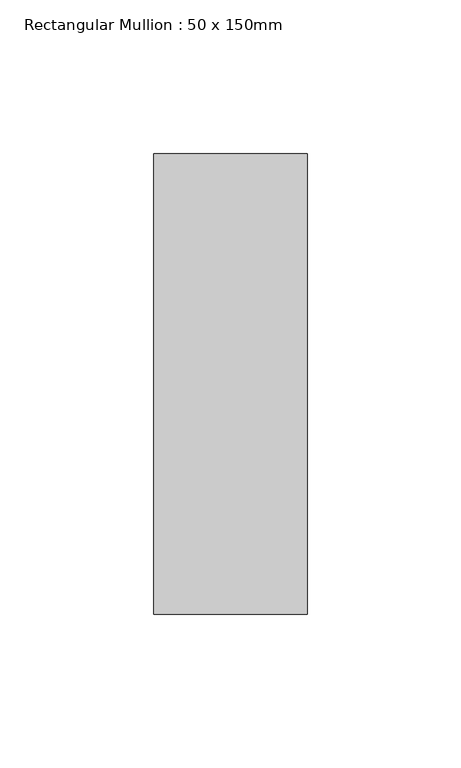
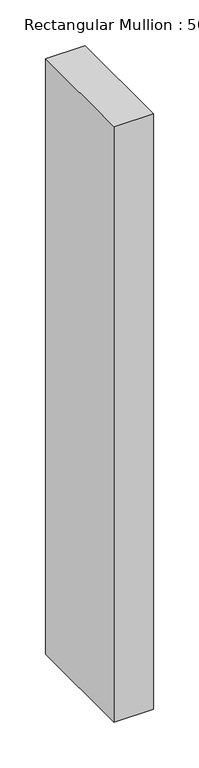
"""IFC4 building model written with IfcOpenShell, lengths in millimetres: member geometry, Rectangular Mullion : 50 x 150mm."""

from ifc_helpers import new_model, si_unit, frame, origin, place, context, project, spatial, polyline, outline, extrude, source, transform, mapped, element, save


def rectangular_mullion_50_x_150mm_63551c25(model_context):
    return source(origin(), model_context, "Body", "SweptSolid", [
        extrude(outline(polyline([(25.0, 75.0), (25.0, -75.0), (-25.0, -75.0), (-25.0, 75.0), (25.0, 75.0)])), frame((0.0, 0.0, -796.6666667), z_axis=(0.0, 0.0, 1.0), x_axis=(1.0, 0.0, 0.0)), (0.0, 0.0, 1.0), 796.6666667),
    ])


if __name__ == "__main__":
    model = new_model("IFC4")
    model_context = context("Model", 3, world=origin())
    ifc_project = project(units=[si_unit("LENGTHUNIT", "METRE", prefix="MILLI")], contexts=[model_context])
    site = spatial("IfcSite", under=ifc_project)
    building = spatial("IfcBuilding", under=site)
    placement = place(None, origin())
    rectangular_mullion_50_x_150mm_shape = rectangular_mullion_50_x_150mm_63551c25(model_context)
    element("IfcMember", 1, ObjectType="Rectangular Mullion : 50 x 150mm", at=placement, inside=building, context=model_context, shape_type="MappedRepresentation", body=[
        mapped(rectangular_mullion_50_x_150mm_shape, transform((0.0, 0.0, 0.0), x_axis=(1.0, 0.0, 0.0), y_axis=(0.0, 1.0, 0.0), z_axis=(0.0, 0.0, 1.0))),
    ])
    save(model, "model.ifc")
